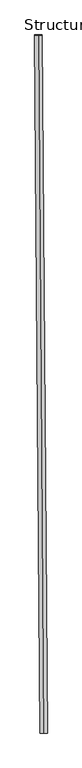
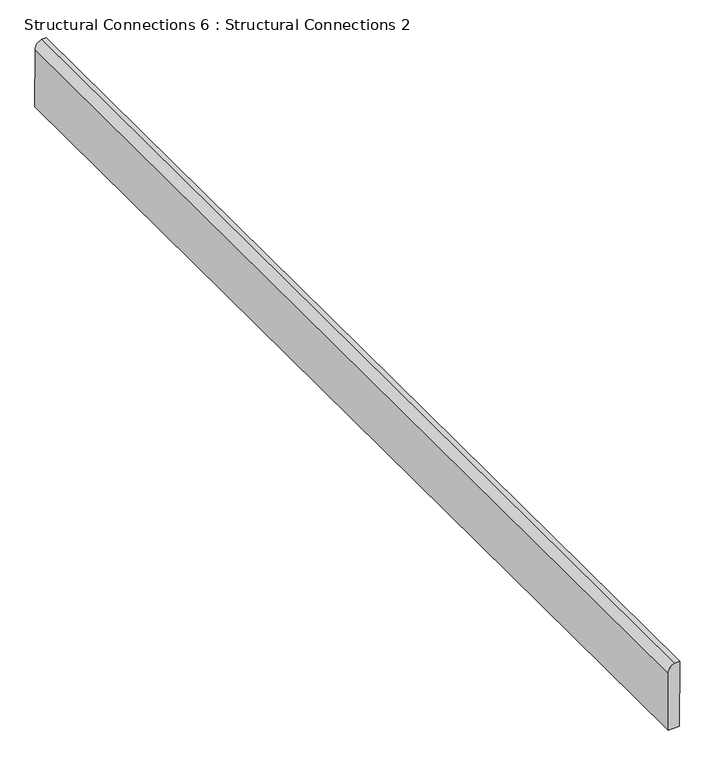
"""IFC4 building model written with IfcOpenShell, lengths in millimetres: fastener geometry, Structural Connections 6 : Structural Connections 2."""

from ifc_helpers import new_model, si_unit, point, frame, frame_2d, origin, place, context, project, spatial, polyline, circle_curve, trimmed, segment, composite_curve, outline, extrude, source, transform, mapped, element, save


def structural_connections_6_structural_connections_2_7c499dab(model_context):
    return source(origin(), model_context, "Body", "SweptSolid", [
        extrude(outline(composite_curve([segment(polyline([(275.6901658, 7.3827082), (275.6901658, -1.068205)]), True, "CONTINUOUS"), segment(trimmed(circle_curve(frame_2d((261.5512337, 1.9910339)), 14.4661101), [point((275.6901658, -1.068205))], [point((260.513814, -12.4378296))], False, "CARTESIAN"), True, "CONTINUOUS"), segment(polyline([(260.513814, -12.4378296), (154.9271846, -12.4378295), (154.9271845, 7.3827082), (275.6901658, 7.3827082)]), True, "CONTINUOUS")], self_intersect=False)), frame((-43405.8447692, 49961.4521487, 108109.7297927), z_axis=(-0.007679751820189758, 0.9999560846926564, 0.005371228734032327), x_axis=(5.6350461151236386e-05, -0.005370954362178069, 0.9999855747328883)), (0.0, 0.0, 1.0), 1899.6779421),
    ])


if __name__ == "__main__":
    model = new_model("IFC4")
    model_context = context("Model", 3, world=origin())
    ifc_project = project(units=[si_unit("LENGTHUNIT", "METRE", prefix="MILLI")], contexts=[model_context])
    site = spatial("IfcSite", under=ifc_project)
    building = spatial("IfcBuilding", under=site)
    placement = place(None, origin())
    structural_connections_6_structural_connections_2_shape = structural_connections_6_structural_connections_2_7c499dab(model_context)
    element("IfcFastener", 1, ObjectType="Structural Connections 6 : Structural Connections 2", at=placement, inside=building, context=model_context, shape_type="MappedRepresentation", body=[
        mapped(structural_connections_6_structural_connections_2_shape, transform((0.0, 0.0, 0.0), x_axis=(1.0, 0.0, 0.0), y_axis=(0.0, 1.0, 0.0), z_axis=(0.0, 0.0, 1.0))),
    ])
    save(model, "model.ifc")
